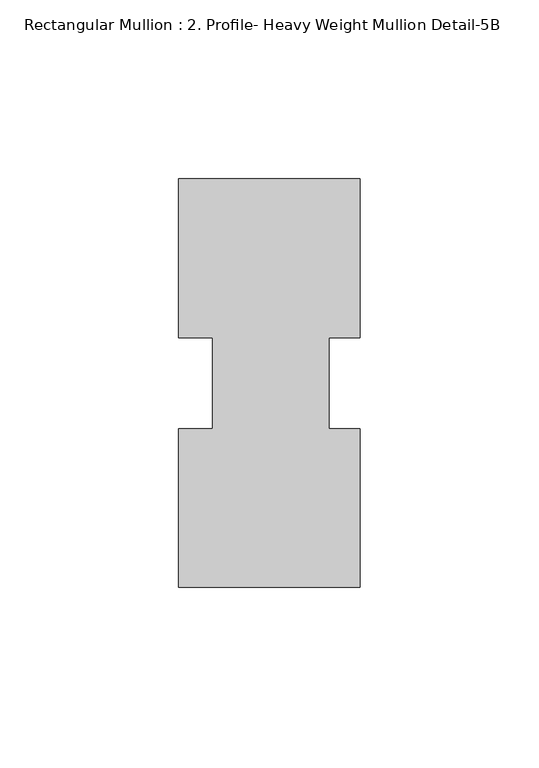
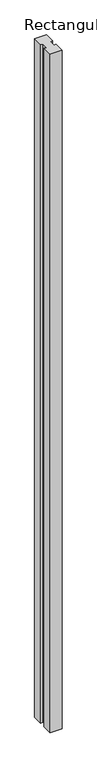
"""IFC4 building model written with IfcOpenShell, lengths in millimetres: member geometry, Rectangular Mullion : 2. Profile- Heavy Weight Mullion Detail-5B."""

from ifc_helpers import new_model, si_unit, frame, origin, place, context, project, spatial, polyline, outline, extrude, source, transform, mapped, element, save


def rectangular_mullion_2_profile_heavy_weight_mullion_detail_5b_d771fcb6(model_context):
    return source(origin(), model_context, "Body", "SweptSolid", [
        extrude(outline(polyline([(25.4, -57.1388465), (-25.4, -57.1388465), (-25.4, -12.7438492), (-15.875, -12.7438492), (-15.875, 12.7438492), (-25.4, 12.7438492), (-25.4, 57.1611535), (25.4, 57.1611535), (25.4, 12.7438492), (16.66875, 12.7438492), (16.66875, -12.7438492), (25.4, -12.7438492), (25.4, -57.1388465)])), frame((0.0, 0.0, -3048.0), z_axis=(0.0, 0.0, 1.0), x_axis=(1.0, 0.0, 0.0)), (0.0, 0.0, 1.0), 3048.0),
    ])


if __name__ == "__main__":
    model = new_model("IFC4")
    model_context = context("Model", 3, world=origin())
    ifc_project = project(units=[si_unit("LENGTHUNIT", "METRE", prefix="MILLI")], contexts=[model_context])
    site = spatial("IfcSite", under=ifc_project)
    building = spatial("IfcBuilding", under=site)
    placement = place(None, origin())
    rectangular_mullion_2_profile_heavy_weight_mullion_detail_5b_shape = rectangular_mullion_2_profile_heavy_weight_mullion_detail_5b_d771fcb6(model_context)
    element("IfcMember", 1, ObjectType="Rectangular Mullion : 2. Profile- Heavy Weight Mullion Detail-5B", at=placement, inside=building, context=model_context, shape_type="MappedRepresentation", body=[
        mapped(rectangular_mullion_2_profile_heavy_weight_mullion_detail_5b_shape, transform((0.0, 0.0, 0.0), x_axis=(1.0, 0.0, 0.0), y_axis=(0.0, 1.0, 0.0), z_axis=(0.0, 0.0, 1.0))),
    ])
    save(model, "model.ifc")
